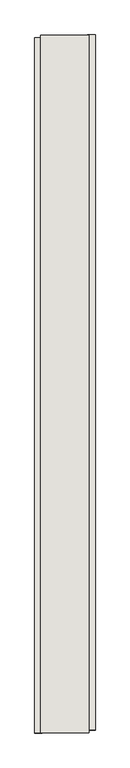
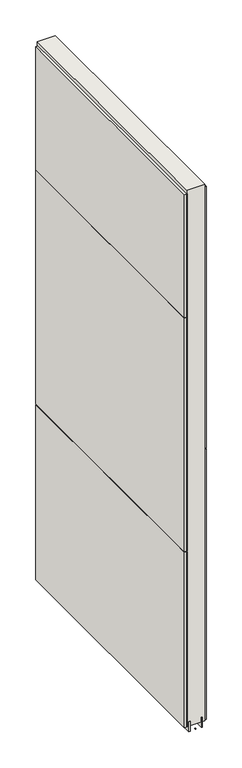
"""IFC4 building model written with IfcOpenShell, lengths in millimetres: wall geometry."""

from ifc_helpers import new_model, si_unit, frame, origin, place, context, project, spatial, polyline, outline, extrude, source, transform, mapped, element, save


def wall_37a88d00(model_context):
    return source(origin(), model_context, "Body", "SweptSolid", [
        extrude(outline(polyline([(73433.342211, -54558.3553992), (73433.342211, -54555.8153992), (73435.882211, -54555.8153992), (73435.882211, -54558.3553992), (73433.342211, -54558.3553992)])), frame((0.0, 0.0, 4419.6), z_axis=(0.0, 0.0, 1.0), x_axis=(1.0, 0.0, 0.0)), (0.0, 0.0, 1.0), 2.54),
        extrude(outline(polyline([(73485.412211, -53389.4885726), (73485.412211, -54553.8885806), (73472.712211, -54553.8885806), (73472.712211, -53389.4885726), (73485.412211, -53389.4885726)])), frame((0.0, 0.0, 5742.4000722), z_axis=(0.0, 0.0, 1.0), x_axis=(1.0, 0.0, 0.0)), (0.0, 0.0, 1.0), 1247.649905),
        extrude(outline(polyline([(73485.412211, -53389.4885726), (73485.412211, -54553.8885806), (73472.712211, -54553.8885806), (73472.712211, -53389.4885726), (73485.412211, -53389.4885726)])), frame((0.0, 0.0, 4445.0), z_axis=(0.0, 0.0, 1.0), x_axis=(1.0, 0.0, 0.0)), (0.0, 0.0, 1.0), 1293.400004),
        extrude(outline(polyline([(73383.812211, -54558.824715), (73383.812211, -53394.424707), (73396.512211, -53394.424707), (73396.512211, -54558.824715), (73383.812211, -54558.824715)])), frame((0.0, 0.0, 6402.8000722), z_axis=(0.0, 0.0, 1.0), x_axis=(1.0, 0.0, 0.0)), (0.0, 0.0, 1.0), 587.2498034),
        extrude(outline(polyline([(73383.812211, -54558.824715), (73383.812211, -53394.424707), (73396.512211, -53394.424707), (73396.512211, -54558.824715), (73383.812211, -54558.824715)])), frame((0.0, 0.0, 5285.2000722), z_axis=(0.0, 0.0, 1.0), x_axis=(1.0, 0.0, 0.0)), (0.0, 0.0, 1.0), 1113.5999572),
        extrude(outline(polyline([(73383.812211, -54558.824715), (73383.812211, -53394.424707), (73396.512211, -53394.424707), (73396.512211, -54558.824715), (73383.812211, -54558.824715)])), frame((0.0, 0.0, 4445.0), z_axis=(0.0, 0.0, 1.0), x_axis=(1.0, 0.0, 0.0)), (0.0, 0.0, 1.0), 836.200004),
        extrude(outline(polyline([(73459.6959556, -54558.3628414), (73459.6959556, -53389.9628414), (73464.774711, -53389.9628414), (73464.774711, -54558.3628414), (73459.6959556, -54558.3628414)])), frame((0.0, 0.0, 4418.6602), z_axis=(0.0, 0.0, 1.0), x_axis=(1.0, 0.0, 0.0)), (0.0, 0.0, 1.0), 47.625),
        extrude(outline(polyline([(73459.6959556, -54558.3628414), (73459.6959556, -53389.9628414), (73464.774711, -53389.9628414), (73464.774711, -54558.3628414), (73459.6959556, -54558.3628414)])), frame((0.0, 0.0, 4418.6602), z_axis=(0.0, 0.0, 1.0), x_axis=(1.0, 0.0, 0.0)), (0.0, 0.0, 1.0), 47.625),
        extrude(outline(polyline([(73409.5284664, -53389.9628414), (73409.5284664, -54558.3628414), (73404.449711, -54558.3628414), (73404.449711, -53389.9628414), (73409.5284664, -53389.9628414)])), frame((0.0, 0.0, 4418.6602), z_axis=(0.0, 0.0, 1.0), x_axis=(1.0, 0.0, 0.0)), (0.0, 0.0, 1.0), 47.625),
        extrude(outline(polyline([(73409.5284664, -53389.9628414), (73409.5284664, -54558.3628414), (73404.449711, -54558.3628414), (73404.449711, -53389.9628414), (73409.5284664, -53389.9628414)])), frame((0.0, 0.0, 4418.6602), z_axis=(0.0, 0.0, 1.0), x_axis=(1.0, 0.0, 0.0)), (0.0, 0.0, 1.0), 47.625),
        extrude(outline(polyline([(73475.2670954, -54558.3628414), (73393.9573266, -54558.3628414), (73393.9573266, -53389.9628414), (73475.2670954, -53389.9628414), (73475.2670954, -54558.3628414)])), frame((0.0, 0.0, 4445.0), z_axis=(0.0, 0.0, 1.0), x_axis=(1.0, 0.0, 0.0)), (0.0, 0.0, 1.0), 2562.4536762),
    ])


if __name__ == "__main__":
    model = new_model("IFC4")
    model_context = context("Model", 3, world=origin())
    ifc_project = project(units=[si_unit("LENGTHUNIT", "METRE", prefix="MILLI")], contexts=[model_context])
    site = spatial("IfcSite", under=ifc_project)
    building = spatial("IfcBuilding", under=site)
    placement = place(None, origin())
    wall_shape = wall_37a88d00(model_context)
    element("IfcWall", 1, at=placement, inside=building, context=model_context, shape_type="MappedRepresentation", body=[
        mapped(wall_shape, transform((0.0, 0.0, 0.0), x_axis=(1.0, 0.0, 0.0), y_axis=(0.0, 1.0, 0.0), z_axis=(0.0, 0.0, 1.0))),
    ])
    save(model, "model.ifc")
